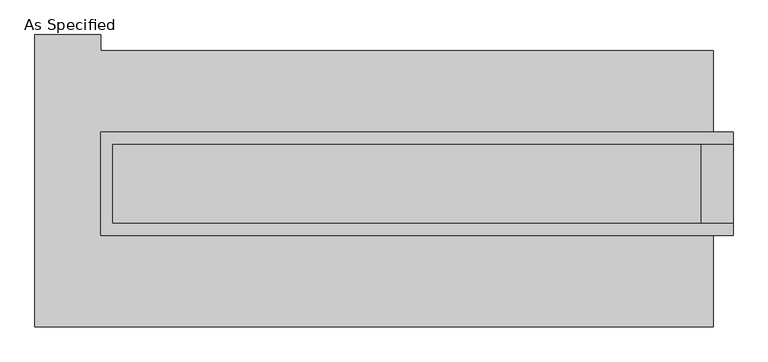
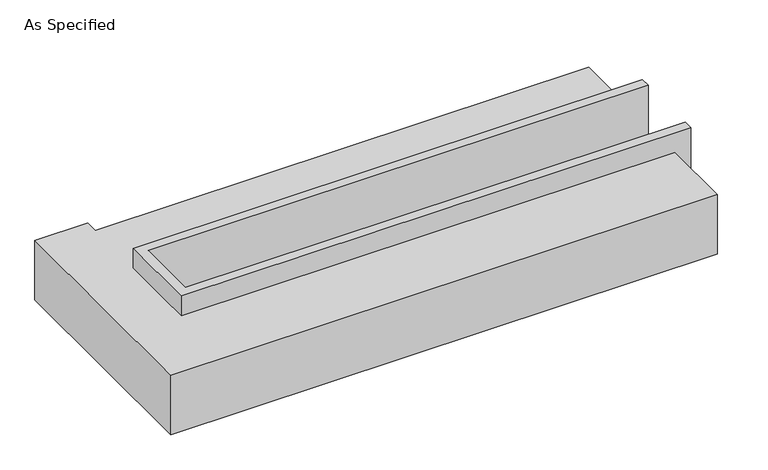
"""IFC4 building model written with IfcOpenShell, lengths in millimetres: proxy geometry, As Specified."""

from ifc_helpers import new_model, si_unit, origin, place, context, project, spatial, faceted_brep, source, transform, mapped, element, save


def as_specified_299017ce(model_context):
    return source(origin(), model_context, "Body", "Brep", [
        faceted_brep([(-1873.25, 361.95, 139.7), (-1873.25, 361.95, -393.7), (-1873.25, 285.75, -393.7), (-1873.25, 285.75, -25.4), (-1873.25, -222.25, -25.4), (-1873.25, -222.25, -393.7), (-1873.25, -298.45, -393.7), (-1873.25, -298.45, 139.7), (2165.35, 285.75, 139.7), (2165.35, 285.75, -317.5), (2165.35, -222.25, -317.5), (2165.35, -222.25, 139.7), (2165.35, -298.45, 139.7), (2165.35, -298.45, -393.7), (2165.35, 361.95, -393.7), (2165.35, 361.95, 139.7), (-1797.05, -222.25, 139.7), (-1797.05, 285.75, 139.7), (1962.15, -222.25, -393.7), (1962.15, 285.75, -393.7), (1962.15, -222.25, -317.5), (-1797.05, -222.25, -25.4), (1962.15, 285.75, -317.5), (-1797.05, 285.75, -25.4)], [[[0, 1, 2, 3, 4, 5, 6, 7]], [[8, 9, 10, 11, 12, 13, 14, 15]], [[0, 7, 12, 11, 16, 17, 8, 15]], [[1, 0, 15, 14]], [[14, 13, 6, 5, 18, 19, 2, 1]], [[7, 6, 13, 12]], [[11, 10, 20, 18, 5, 4, 21, 16]], [[10, 9, 22, 20]], [[9, 8, 17, 23, 3, 2, 19, 22]], [[18, 20, 22, 19]], [[23, 21, 4, 3]], [[17, 16, 21, 23]]]),
        faceted_brep([(2038.35, -882.65, -523.9742188), (-2292.35, -882.65, -523.9742188), (-2292.35, 984.25, -523.9742188), (-1873.25, 984.25, -523.9742188), (-1873.25, 882.65, -523.9742188), (2038.35, 882.65, -523.9742188), (-2292.35, -882.65, -25.4), (2038.35, -882.65, -25.4), (2038.35, -298.45, -25.4), (-1873.25, -298.45, -25.4), (-1873.25, 361.95, -25.4), (2038.35, 361.95, -25.4), (2038.35, 882.65, -25.4), (-1873.25, 882.65, -25.4), (-1873.25, 984.25, -25.4), (-2292.35, 984.25, -25.4), (2038.35, 361.95, -393.7), (2038.35, -298.45, -393.7), (-1873.25, -298.45, -393.7), (-1873.25, 361.95, -393.7)], [[[0, 1, 2, 3, 4, 5]], [[6, 7, 8, 9, 10, 11, 12, 13, 14, 15]], [[12, 5, 4, 13]], [[2, 1, 6, 15]], [[5, 12, 11, 16, 17, 8, 7, 0]], [[1, 0, 7, 6]], [[18, 19, 10, 9]], [[10, 19, 16, 11]], [[19, 18, 17, 16]], [[18, 9, 8, 17]], [[3, 2, 15, 14]], [[4, 3, 14, 13]]]),
    ])


if __name__ == "__main__":
    model = new_model("IFC4")
    model_context = context("Model", 3, world=origin())
    ifc_project = project(units=[si_unit("LENGTHUNIT", "METRE", prefix="MILLI")], contexts=[model_context])
    site = spatial("IfcSite", under=ifc_project)
    building = spatial("IfcBuilding", under=site)
    placement = place(None, origin())
    as_specified_shape = as_specified_299017ce(model_context)
    element("IfcBuildingElementProxy", 1, Name="As Specified", ObjectType="As Specified", at=placement, inside=building, context=model_context, shape_type="MappedRepresentation", body=[
        mapped(as_specified_shape, transform((0.0, 0.0, 0.0), x_axis=(1.0, 0.0, 0.0), y_axis=(0.0, 1.0, 0.0), z_axis=(0.0, 0.0, 1.0))),
    ])
    save(model, "model.ifc")
